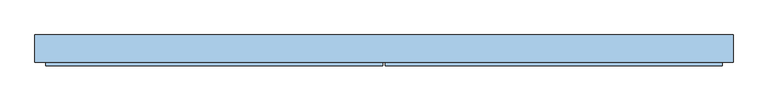
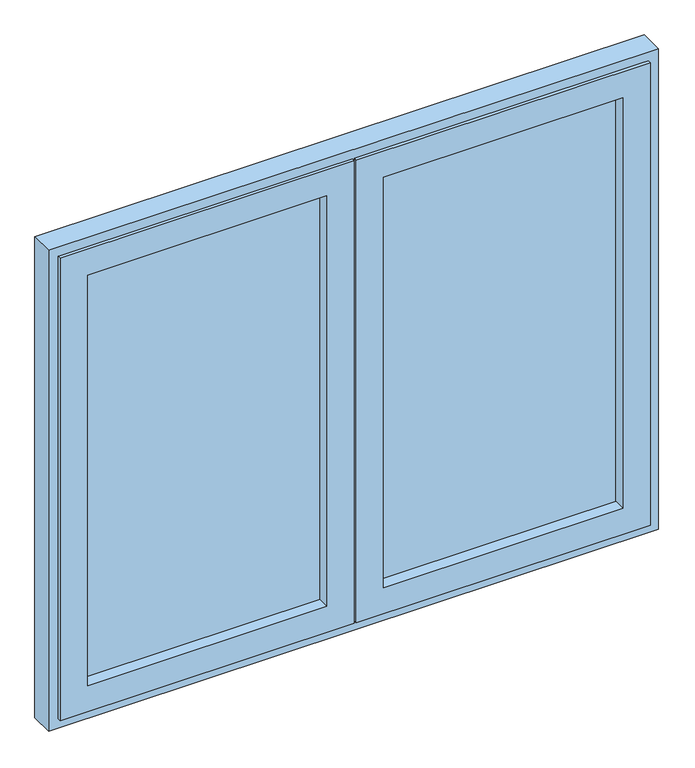
"""IFC4 building model written with IfcOpenShell, lengths in millimetres: window geometry."""

from ifc_helpers import new_model, si_unit, frame, origin, place, context, project, spatial, polyline, outline, extrude, faceted_brep, source, transform, mapped, element, save


def window_6ae20cec(model_context):
    return source(origin(), model_context, "Body", "SolidModel", [
        faceted_brep([(871.6, -35.0, 928.4), (871.6, -44.5, 928.4), (3.0, -44.5, 928.4), (3.0, -35.0, 928.4), (3.0, -44.5, 2371.6), (3.0, -35.0, 2371.6), (871.6, -44.5, 2371.6), (84.2, -44.5, 2290.4), (790.4, -44.5, 2290.4), (790.4, -44.5, 1009.6), (84.2, -44.5, 1009.6), (871.6, -35.0, 2371.6), (22.9, -35.0, 948.3), (851.7, -35.0, 948.3), (851.7, -35.0, 2351.7), (22.9, -35.0, 2351.7), (851.7, 30.0, 948.3), (22.9, 30.0, 948.3), (22.9, 30.0, 2351.7), (851.7, 30.0, 2351.7), (38.0, 30.0, 963.4), (836.6, 30.0, 963.4), (836.6, 30.0, 2336.6), (38.0, 30.0, 2336.6), (836.6, 35.0, 963.4), (38.0, 35.0, 963.4), (38.0, 35.0, 2336.6), (836.6, 35.0, 2336.6), (84.2, 35.0, 1009.6), (790.4, 35.0, 1009.6), (790.4, 35.0, 2290.4), (84.2, 35.0, 2290.4)], [[[0, 1, 2, 3]], [[3, 2, 4, 5]], [[2, 1, 6, 4], [7, 8, 9, 10]], [[5, 11, 0, 3], [12, 13, 14, 15]], [[16, 13, 12, 17]], [[17, 12, 15, 18]], [[18, 19, 16, 17], [20, 21, 22, 23]], [[24, 21, 20, 25]], [[25, 20, 23, 26]], [[26, 27, 24, 25], [28, 29, 30, 31]], [[9, 29, 28, 10]], [[10, 28, 31, 7]], [[11, 6, 1, 0]], [[19, 14, 13, 16]], [[27, 22, 21, 24]], [[8, 30, 29, 9]], [[5, 4, 6, 11]], [[18, 15, 14, 19]], [[26, 23, 22, 27]], [[7, 31, 30, 8]]]),
        extrude(outline(polyline([(22.9, -35.0), (-22.9, -35.0), (-22.9, 30.0), (-33.0, 30.0), (-33.0, 35.0), (33.0, 35.0), (33.0, 30.0), (22.9, 30.0), (22.9, -35.0)])), frame((0.0, 0.0, 958.4), z_axis=(0.0, 0.0, 1.0), x_axis=(1.0, 0.0, 0.0)), (0.0, 0.0, 1.0), 1383.2),
        faceted_brep([(-790.4, 35.0, 1009.6), (-790.4, -44.5, 1009.6), (-84.2, -44.5, 1009.6), (-84.2, 35.0, 1009.6), (-84.2, -44.5, 2290.4), (-84.2, 35.0, 2290.4), (-3.0, -44.5, 2371.6), (-871.6, -44.5, 2371.6), (-871.6, -44.5, 928.4), (-3.0, -44.5, 928.4), (-790.4, -44.5, 2290.4), (-38.0, 35.0, 963.4), (-836.6, 35.0, 963.4), (-836.6, 35.0, 2336.6), (-38.0, 35.0, 2336.6), (-790.4, 35.0, 2290.4), (-836.6, 30.0, 963.4), (-38.0, 30.0, 963.4), (-38.0, 30.0, 2336.6), (-22.9, 30.0, 948.3), (-851.7, 30.0, 948.3), (-851.7, 30.0, 2351.7), (-22.9, 30.0, 2351.7), (-836.6, 30.0, 2336.6), (-851.7, -35.0, 948.3), (-22.9, -35.0, 948.3), (-22.9, -35.0, 2351.7), (-3.0, -35.0, 928.4), (-871.6, -35.0, 928.4), (-871.6, -35.0, 2371.6), (-3.0, -35.0, 2371.6), (-851.7, -35.0, 2351.7)], [[[0, 1, 2, 3]], [[3, 2, 4, 5]], [[6, 7, 8, 9], [2, 1, 10, 4]], [[11, 12, 13, 14], [5, 15, 0, 3]], [[16, 12, 11, 17]], [[17, 11, 14, 18]], [[19, 20, 21, 22], [18, 23, 16, 17]], [[24, 20, 19, 25]], [[25, 19, 22, 26]], [[27, 28, 29, 30], [26, 31, 24, 25]], [[8, 28, 27, 9]], [[9, 27, 30, 6]], [[15, 10, 1, 0]], [[23, 13, 12, 16]], [[31, 21, 20, 24]], [[7, 29, 28, 8]], [[5, 4, 10, 15]], [[18, 14, 13, 23]], [[26, 22, 21, 31]], [[6, 30, 29, 7]]]),
        faceted_brep([(-863.6, 30.0, 936.4), (-863.6, -35.0, 936.4), (863.6, -35.0, 936.4), (863.6, 30.0, 936.4), (863.6, -35.0, 2363.6), (863.6, 30.0, 2363.6), (900.0, -35.0, 2400.0), (-900.0, -35.0, 2400.0), (-900.0, -35.0, 900.0), (900.0, -35.0, 900.0), (-863.6, -35.0, 2363.6), (-863.6, 30.0, 2363.6), (841.6, 30.0, 958.4), (-841.6, 30.0, 958.4), (-841.6, 30.0, 2341.6), (841.6, 30.0, 2341.6), (-841.6, 35.0, 958.4), (841.6, 35.0, 958.4), (841.6, 35.0, 2341.6), (900.0, 35.0, 900.0), (-900.0, 35.0, 900.0), (-900.0, 35.0, 2400.0), (900.0, 35.0, 2400.0), (-841.6, 35.0, 2341.6)], [[[0, 1, 2, 3]], [[3, 2, 4, 5]], [[6, 7, 8, 9], [2, 1, 10, 4]], [[5, 11, 0, 3], [12, 13, 14, 15]], [[16, 13, 12, 17]], [[17, 12, 15, 18]], [[19, 20, 21, 22], [18, 23, 16, 17]], [[19, 22, 6, 9]], [[8, 20, 19, 9]], [[11, 10, 1, 0]], [[23, 14, 13, 16]], [[7, 21, 20, 8]], [[5, 4, 10, 11]], [[18, 15, 14, 23]], [[6, 22, 21, 7]]]),
        extrude(outline(polyline([(790.4, -9.0), (84.2, -9.0), (84.2, 27.0), (790.4, 27.0), (790.4, -9.0)])), frame((0.0, 0.0, 1009.6), z_axis=(0.0, 0.0, 1.0), x_axis=(1.0, 0.0, 0.0)), (0.0, 0.0, 1.0), 1280.8),
        extrude(outline(polyline([(-84.2, -9.0), (-790.4, -9.0), (-790.4, 27.0), (-84.2, 27.0), (-84.2, -9.0)])), frame((0.0, 0.0, 1009.6), z_axis=(0.0, 0.0, 1.0), x_axis=(1.0, 0.0, 0.0)), (0.0, 0.0, 1.0), 1280.8),
    ])


if __name__ == "__main__":
    model = new_model("IFC4")
    model_context = context("Model", 3, world=origin())
    ifc_project = project(units=[si_unit("LENGTHUNIT", "METRE", prefix="MILLI")], contexts=[model_context])
    site = spatial("IfcSite", under=ifc_project)
    building = spatial("IfcBuilding", under=site)
    placement = place(None, origin())
    window_shape = window_6ae20cec(model_context)
    element("IfcWindow", 1, at=placement, inside=building, context=model_context, shape_type="MappedRepresentation", body=[
        mapped(window_shape, transform((0.0, 0.0, 0.0), x_axis=(1.0, 0.0, 0.0), y_axis=(0.0, 1.0, 0.0), z_axis=(0.0, 0.0, 1.0))),
    ])
    save(model, "model.ifc")
